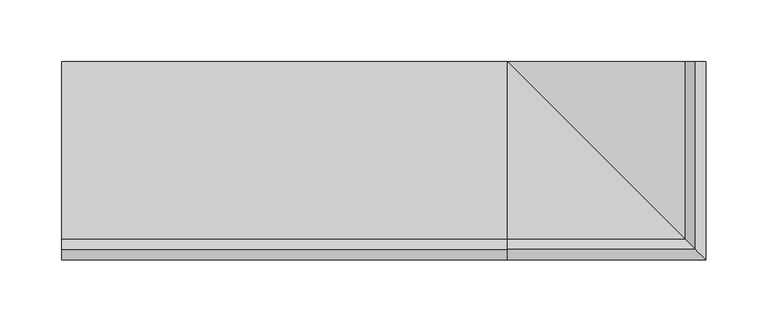
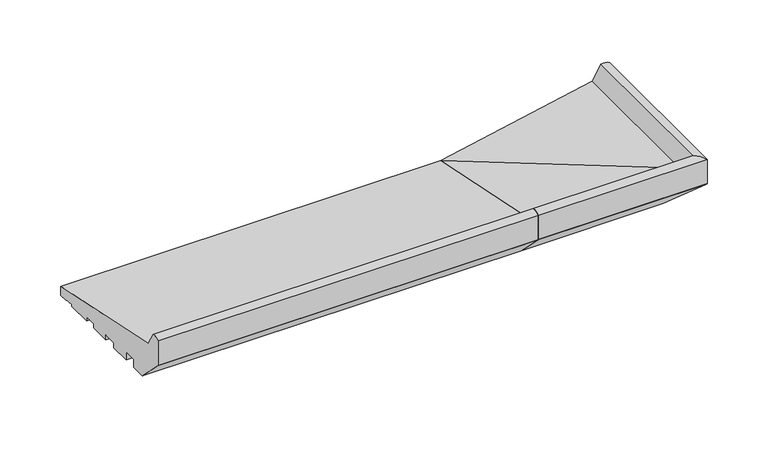
"""IFC4 building model written with IfcOpenShell, lengths in millimetres: proxy geometry."""

from ifc_helpers import new_model, si_unit, point, frame, frame_2d, origin, place, context, project, spatial, polyline, circle_curve, ellipse_curve, trimmed, segment, composite_curve, outline, extrude, source, transform, mapped, element, save
from ifc_brep_helpers import plane_surface, cylinder_surface, advanced_brep


def generic_models_9abd3fe7(model_context):
    return source(origin(), model_context, "Body", "SolidModel", [
        advanced_brep(
        [(360.0, 16.9634146, 2.0714803), (360.0, 16.9634146, 0.0), (360.0, -7.0449052, 0.0), (360.0, -7.0449052, 4.0148089), (360.0, -18.9957985, 4.0148089), (360.0, -18.9957985, 0.0), (360.0, -38.9970202, 0.0), (360.0, -38.9970202, 5.0), (360.0, -51.9659993, 5.0), (360.0, -51.9659993, 0.0), (360.0, -71.9994005, 0.0), (360.0, -71.9994005, 7.9636602), (360.0, -84.3282852, 7.9636602), (360.0, -84.3282852, 0.0), (360.0, -98.3331279, 0.0), (360.0, -124.2741015, 25.9409736), (360.0, -125.0, 27.0076366), (360.0, -125.0, 51.2355304), (360.0, -116.6949035, 52.9234409), (360.0, -108.4970481, 38.6463845), (360.0, 35.0, 9.1871592), (360.0, 35.0, 0.0), (360.0, 27.0536769, 0.0), (360.0, 27.0536769, 0.9956448), (378.0365854, 35.0, 2.0714803), (367.9463231, 35.0, 0.9956448), (367.9463231, 35.0, 0.0), (503.4970481, 35.0, 38.6463845), (511.6949035, 35.0, 52.9234409), (520.0, 35.0, 51.2355304), (520.0, 35.0, 27.0076366), (519.2741015, 35.0, 25.9409736), (493.3331279, 35.0, 0.0), (479.3282852, 35.0, 0.0), (479.3282852, 35.0, 7.9636602), (466.9994005, 35.0, 7.9636602), (466.9994005, 35.0, 0.0), (446.9659993, 35.0, 0.0), (446.9659993, 35.0, 5.0), (433.9970202, 35.0, 5.0), (433.9970202, 35.0, 0.0), (413.9957985, 35.0, 0.0), (413.9957985, 35.0, 4.0148089), (402.0449052, 35.0, 4.0148089), (402.0449052, 35.0, 0.0), (378.0365854, 35.0, 0.0), (378.0365854, 16.9634146, 2.0714803), (378.0365854, 16.9634146, 0.0), (402.0449052, -7.0449052, 0.0), (402.0449052, -7.0449052, 4.0148089), (413.9957985, -18.9957985, 4.0148089), (413.9957985, -18.9957985, 0.0), (433.9970202, -38.9970202, 0.0), (433.9970202, -38.9970202, 5.0), (446.9659993, -51.9659993, 5.0), (446.9659993, -51.9659993, 0.0), (466.9994005, -71.9994005, 0.0), (466.9994005, -71.9994005, 7.9636602), (479.3282852, -84.3282852, 7.9636602), (479.3282852, -84.3282852, 0.0), (493.3331279, -98.3331279, 0.0), (519.2741015, -124.2741015, 25.9409736), (520.0, -125.0, 27.0076366), (520.0, -125.0, 51.2355304), (511.6949035, -116.6949035, 52.9234409), (503.4970481, -108.4970481, 38.6463845), (367.9463231, 27.0536769, 0.0), (367.9463231, 27.0536769, 0.9956448)],
        [
            (0, 1),
            (1, 2),
            (2, 3),
            (3, 4),
            (4, 5),
            (5, 6),
            (6, 7),
            (7, 8),
            (8, 9),
            (9, 10),
            (10, 11),
            (11, 12),
            (12, 13),
            (13, 14),
            (14, 15),
            (15, 16, circle_curve(frame((360.0, -121.8315077, 28.3835674), z_axis=(-1.0, 0.0, 0.0), x_axis=(0.0, 1.0000000000000002, 0.0)), 3.4543493)),
            (16, 17),
            (17, 18, circle_curve(frame((360.0, -118.9446027, 42.7168184), z_axis=(-1.0, 0.0, 0.0), x_axis=(0.0, 1.0000000000000002, 0.0)), 10.4516166)),
            (18, 19),
            (19, 20),
            (20, 21),
            (21, 22),
            (22, 23),
            (23, 0),
            (24, 25),
            (25, 26),
            (26, 21),
            (20, 27),
            (27, 28),
            (28, 29, circle_curve(frame((513.9446027, 35.0, 42.7168184), z_axis=(0.0, 1.0, 0.0), x_axis=(-1.0000000000000002, 0.0, 0.0)), 10.4516166)),
            (29, 30),
            (30, 31, circle_curve(frame((516.8315077, 35.0, 28.3835674), z_axis=(0.0, 1.0, 0.0), x_axis=(-1.0000000000000002, 0.0, 0.0)), 3.4543493)),
            (31, 32),
            (32, 33),
            (33, 34),
            (34, 35),
            (35, 36),
            (36, 37),
            (37, 38),
            (38, 39),
            (39, 40),
            (40, 41),
            (41, 42),
            (42, 43),
            (43, 44),
            (44, 45),
            (45, 24),
            (0, 46),
            (46, 47),
            (47, 1),
            (47, 45),
            (44, 48),
            (48, 2),
            (48, 49),
            (49, 3),
            (49, 43),
            (42, 50),
            (50, 4),
            (50, 51),
            (51, 5),
            (51, 41),
            (40, 52),
            (52, 6),
            (52, 53),
            (53, 7),
            (53, 39),
            (38, 54),
            (54, 8),
            (54, 55),
            (55, 9),
            (55, 37),
            (36, 56),
            (56, 10),
            (56, 57),
            (57, 11),
            (57, 35),
            (34, 58),
            (58, 12),
            (58, 59),
            (59, 13),
            (59, 33),
            (32, 60),
            (60, 14),
            (60, 61),
            (61, 15),
            (61, 62, ellipse_curve(frame((516.8315077, -121.8315077, 28.3835674), z_axis=(-0.7071067811865481, -0.7071067811865469, 0.0), x_axis=(-0.7071067811865469, 0.7071067811865481, 0.0)), 4.8851877, 3.4543493)),
            (62, 16),
            (62, 63),
            (63, 17),
            (63, 64, ellipse_curve(frame((513.9446027, -118.9446027, 42.7168184), z_axis=(-0.7071067811865481, -0.7071067811865469, 0.0), x_axis=(-0.7071067811865469, 0.7071067811865481, 0.0)), 14.780818, 10.4516166)),
            (64, 18),
            (64, 65),
            (65, 19),
            (65, 20),
            (26, 66),
            (66, 22),
            (66, 67),
            (67, 23),
            (67, 46),
            (46, 24),
            (31, 61),
            (30, 62),
            (29, 63),
            (28, 64),
            (27, 65),
            (25, 67),
        ],
        [
            plane_surface(frame((360.0, -46.0, 0.0), z_axis=(-1.0, 0.0, 0.0), x_axis=(0.0, 0.0, 1.0))),
            plane_surface(frame((441.0, 35.0, 0.0), z_axis=(0.0, 1.0, 0.0), x_axis=(0.0, 0.0, 1.0))),
            plane_surface(frame((360.0, 16.9634146, 2.0714803), z_axis=(0.0, 1.0, 0.0), x_axis=(1.0, 0.0, 0.0))),
            plane_surface(frame((360.0, 16.9634146, 0.0), z_axis=(0.0, 0.0, -1.0), x_axis=(1.0, 0.0, 0.0))),
            plane_surface(frame((360.0, -7.0449052, 0.0), z_axis=(0.0, -1.0, 0.0), x_axis=(1.0, 0.0, 0.0))),
            plane_surface(frame((360.0, -7.0449052, 4.0148089), z_axis=(0.0, 0.0, -1.0), x_axis=(1.0, 0.0, 0.0))),
            plane_surface(frame((360.0, -18.9957985, 4.0148089), z_axis=(0.0, 1.0, 0.0), x_axis=(1.0, 0.0, 0.0))),
            plane_surface(frame((360.0, -18.9957985, 0.0), z_axis=(0.0, 0.0, -1.0), x_axis=(1.0, 0.0, 0.0))),
            plane_surface(frame((360.0, -38.9970202, 0.0), z_axis=(0.0, -1.0, 0.0), x_axis=(1.0, 0.0, 0.0))),
            plane_surface(frame((360.0, -38.9970202, 5.0), z_axis=(0.0, 0.0, -1.0), x_axis=(1.0, 0.0, 0.0))),
            plane_surface(frame((360.0, -51.9659993, 5.0), z_axis=(0.0, 1.0, 0.0), x_axis=(1.0, 0.0, 0.0))),
            plane_surface(frame((360.0, -51.9659993, 0.0), z_axis=(0.0, 0.0, -1.0), x_axis=(1.0, 0.0, 0.0))),
            plane_surface(frame((360.0, -71.9994005, 0.0), z_axis=(0.0, -1.0, 0.0), x_axis=(1.0, 0.0, 0.0))),
            plane_surface(frame((360.0, -71.9994005, 7.9636602), z_axis=(0.0, 0.0, -1.0), x_axis=(1.0, 0.0, 0.0))),
            plane_surface(frame((360.0, -84.3282852, 7.9636602), z_axis=(0.0, 1.0, 0.0), x_axis=(1.0, 0.0, 0.0))),
            plane_surface(frame((360.0, -84.3282852, 0.0), z_axis=(0.0, 0.0, -1.0), x_axis=(1.0, 0.0, 0.0))),
            plane_surface(frame((360.0, -98.3331279, 0.0), z_axis=(0.0, -0.707106781186547, -0.707106781186548), x_axis=(1.0, 0.0, 0.0))),
            cylinder_surface(frame((360.0, -121.8315077, 28.3835674), z_axis=(-1.0000000000000002, 0.0, 0.0), x_axis=(0.0, 1.0000000000000002, 0.0)), 3.4543493),
            plane_surface(frame((360.0, -125.0, 27.0076366), z_axis=(0.0, -1.0, 0.0), x_axis=(1.0, 0.0, 0.0))),
            cylinder_surface(frame((360.0, -118.9446027, 42.7168184), z_axis=(-1.0000000000000002, 0.0, 0.0), x_axis=(0.0, 1.0000000000000002, 0.0)), 10.4516166),
            plane_surface(frame((360.0, -116.6949035, 52.9234409), z_axis=(0.0, 0.867206740138978, 0.49794826022140826), x_axis=(1.0, 0.0, 0.0))),
            plane_surface(frame((360.0, -108.4970481, 38.6463845), z_axis=(0.0, 0.20110092371128918, 0.9795705275693355), x_axis=(1.0, 0.0, 0.0))),
            plane_surface(frame((360.0, 35.0, 0.0), z_axis=(0.0, 0.0, -1.0), x_axis=(1.0, 0.0, 0.0))),
            plane_surface(frame((360.0, 27.0536769, 0.0), z_axis=(0.0, -1.0, 0.0), x_axis=(1.0, 0.0, 0.0))),
            plane_surface(frame((360.0, 27.0536769, 0.9956448), z_axis=(0.0, -0.1060202410059177, -0.9943639718418237), x_axis=(1.0, 0.0, 0.0))),
            plane_surface(frame((378.0365854, 16.9634146, 2.0714803), z_axis=(-1.0, 0.0, 0.0), x_axis=(0.0, 1.0, 0.0))),
            plane_surface(frame((402.0449052, -7.0449052, 0.0), z_axis=(1.0, 0.0, 0.0), x_axis=(0.0, 1.0, 0.0))),
            plane_surface(frame((413.9957985, -18.9957985, 4.0148089), z_axis=(-1.0, 0.0, 0.0), x_axis=(0.0, 1.0, 0.0))),
            plane_surface(frame((433.9970202, -38.9970202, 0.0), z_axis=(1.0, 0.0, 0.0), x_axis=(0.0, 1.0, 0.0))),
            plane_surface(frame((446.9659993, -51.9659993, 5.0), z_axis=(-1.0, 0.0, 0.0), x_axis=(0.0, 1.0, 0.0))),
            plane_surface(frame((466.9994005, -71.9994005, 0.0), z_axis=(1.0, 0.0, 0.0), x_axis=(0.0, 1.0, 0.0))),
            plane_surface(frame((479.3282852, -84.3282852, 7.9636602), z_axis=(-1.0, 0.0, 0.0), x_axis=(0.0, 1.0, 0.0))),
            plane_surface(frame((493.3331279, -98.3331279, 0.0), z_axis=(0.7071067811865471, 0.0, -0.707106781186548), x_axis=(0.0, 1.0, 0.0))),
            cylinder_surface(frame((516.8315077, -46.0, 28.3835674), z_axis=(0.0, -1.0000000000000002, 0.0), x_axis=(-1.0000000000000002, 0.0, 0.0)), 3.4543493),
            plane_surface(frame((520.0, -125.0, 27.0076366), z_axis=(1.0, 0.0, 0.0), x_axis=(0.0, 1.0, 0.0))),
            cylinder_surface(frame((513.9446027, -46.0, 42.7168184), z_axis=(0.0, -1.0000000000000002, 0.0), x_axis=(-1.0000000000000002, 0.0, 0.0)), 10.4516166),
            plane_surface(frame((511.6949035, -116.6949035, 52.9234409), z_axis=(-0.867206740138978, 0.0, 0.49794826022140815), x_axis=(0.0, 1.0, 0.0))),
            plane_surface(frame((503.4970481, -108.4970481, 38.6463845), z_axis=(-0.20110092371128924, 0.0, 0.9795705275693355), x_axis=(0.0, 1.0, 0.0))),
            plane_surface(frame((367.9463231, 27.0536769, 0.0), z_axis=(1.0, 0.0, 0.0), x_axis=(0.0, 1.0, 0.0))),
            plane_surface(frame((367.9463231, 27.0536769, 0.9956448), z_axis=(0.10602024100591773, 0.0, -0.9943639718418237), x_axis=(0.0, 1.0, 0.0))),
        ],
        [
            (0, [[1, 2, 3, 4, 5, 6, 7, 8, 9, 10, 11, 12, 13, 14, 15, 16, 17, 18, 19, 20, 21, 22, 23, 24]]),
            (1, [[25, 26, 27, -21, 28, 29, 30, 31, 32, 33, 34, 35, 36, 37, 38, 39, 40, 41, 42, 43, 44, 45, 46, 47]]),
            (2, [[-1, 48, 49, 50]]),
            (3, [[-2, -50, 51, -46, 52, 53]]),
            (4, [[-3, -53, 54, 55]]),
            (5, [[-4, -55, 56, -44, 57, 58]]),
            (6, [[-5, -58, 59, 60]]),
            (7, [[-6, -60, 61, -42, 62, 63]]),
            (8, [[-7, -63, 64, 65]]),
            (9, [[-8, -65, 66, -40, 67, 68]]),
            (10, [[-9, -68, 69, 70]]),
            (11, [[-10, -70, 71, -38, 72, 73]]),
            (12, [[-11, -73, 74, 75]]),
            (13, [[-12, -75, 76, -36, 77, 78]]),
            (14, [[-13, -78, 79, 80]]),
            (15, [[-14, -80, 81, -34, 82, 83]]),
            (16, [[-15, -83, 84, 85]]),
            (17, [[-16, -85, 86, 87]]),
            (18, [[-17, -87, 88, 89]]),
            (19, [[-18, -89, 90, 91]]),
            (20, [[-19, -91, 92, 93]]),
            (21, [[-20, -93, 94]]),
            (22, [[-22, -27, 95, 96]]),
            (23, [[-23, -96, 97, 98]]),
            (24, [[-24, -98, 99, -48]]),
            (25, [[-49, 100, -47, -51]]),
            (26, [[-54, -52, -45, -56]]),
            (27, [[-59, -57, -43, -61]]),
            (28, [[-64, -62, -41, -66]]),
            (29, [[-69, -67, -39, -71]]),
            (30, [[-74, -72, -37, -76]]),
            (31, [[-79, -77, -35, -81]]),
            (32, [[-84, -82, -33, 101]]),
            (33, [[-86, -101, -32, 102]]),
            (34, [[-88, -102, -31, 103]]),
            (35, [[-90, -103, -30, 104]]),
            (36, [[-92, -104, -29, 105]]),
            (37, [[-94, -105, -28]]),
            (38, [[-97, -95, -26, 106]]),
            (39, [[-99, -106, -25, -100]]),
        ],
    ),
        extrude(outline(composite_curve([segment(polyline([(16.9634146, 2.0714803), (16.9634146, 0.0), (-7.0449052, 0.0), (-7.0449052, 4.0148089), (-18.9957985, 4.0148089), (-18.9957985, 0.0), (-38.9970202, 0.0), (-38.9970202, 5.0), (-51.9659993, 5.0), (-51.9659993, 0.0), (-71.9994005, 0.0), (-71.9994005, 7.9636602), (-84.3282852, 7.9636602), (-84.3282852, 0.0), (-98.3331279, 0.0), (-124.2741015, 25.9409736)]), True, "CONTINUOUS"), segment(trimmed(circle_curve(frame_2d((-121.8315077, 28.3835674)), 3.4543493), [point((-124.2741015, 25.9409736))], [point((-125.0, 27.0076366))], False, "CARTESIAN"), True, "CONTINUOUS"), segment(polyline([(-125.0, 27.0076366), (-125.0, 51.2355304)]), True, "CONTINUOUS"), segment(trimmed(circle_curve(frame_2d((-118.9446027, 42.7168184)), 10.4516166), [point((-125.0, 51.2355304))], [point((-116.6949035, 52.9234409))], False, "CARTESIAN"), True, "CONTINUOUS"), segment(polyline([(-116.6949035, 52.9234409), (-108.4970481, 38.6463845), (35.0, 9.1871592), (35.0, 0.0), (27.0536769, 0.0), (27.0536769, 0.9956448), (16.9634146, 2.0714803)]), True, "CONTINUOUS")], self_intersect=False)), frame((0.0, 0.0, 0.0), z_axis=(1.0, 0.0, 0.0), x_axis=(0.0, 1.0, 0.0)), (0.0, 0.0, 1.0), 360.0),
    ])


if __name__ == "__main__":
    model = new_model("IFC4")
    model_context = context("Model", 3, world=origin())
    ifc_project = project(units=[si_unit("LENGTHUNIT", "METRE", prefix="MILLI")], contexts=[model_context])
    site = spatial("IfcSite", under=ifc_project)
    building = spatial("IfcBuilding", under=site)
    placement = place(None, origin())
    generic_models_shape = generic_models_9abd3fe7(model_context)
    element("IfcBuildingElementProxy", 1, Name="Generic Models", at=placement, inside=building, context=model_context, shape_type="MappedRepresentation", body=[
        mapped(generic_models_shape, transform((0.0, 0.0, 0.0), x_axis=(1.0, 0.0, 0.0), y_axis=(0.0, 1.0, 0.0), z_axis=(0.0, 0.0, 1.0))),
    ])
    save(model, "model.ifc")
